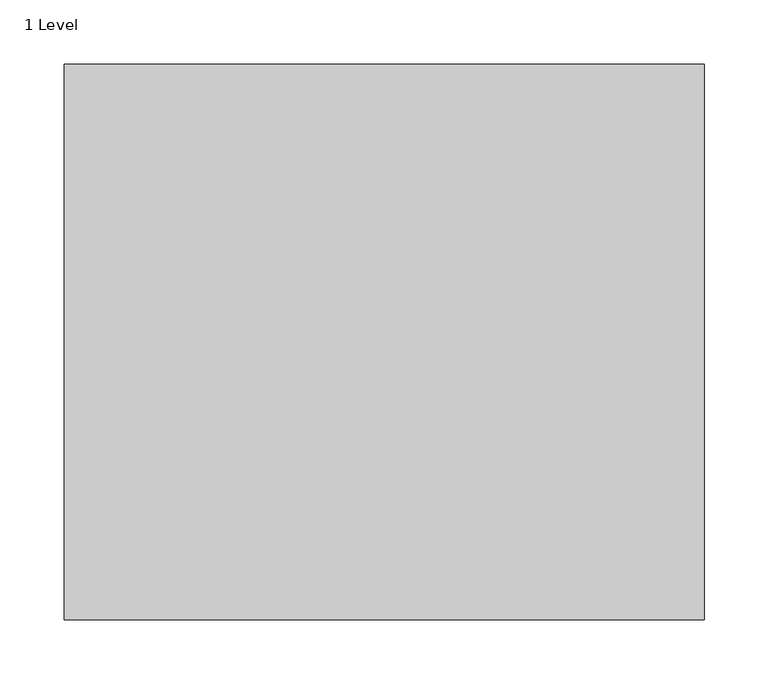
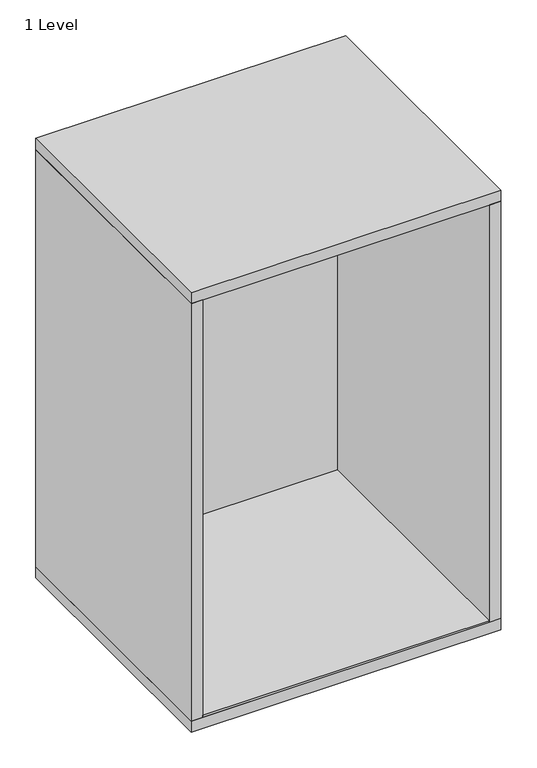
"""IFC4 building model written with IfcOpenShell, lengths in millimetres: furniture geometry, 1 Level."""

import ifcopenshell
import ifcopenshell.guid

model = None  # the IFC model being written
_history = None  # IfcOwnerHistory: only IFC2X3 demands one
_inside = {}  # id of a spatial element -> (the spatial element, [elements in it])
_under = {}  # id of a project, library or spatial element -> (it, [spatial elements below it])
_declared = {}  # id of a project -> (the project, [libraries it declares])
_typed = {}  # id of a type object -> (the type object, [elements of that type])
_made_of = {}  # id of a material, layer set ... -> (it, [elements and type objects made of it])


def new_model(schema):
    """Start an empty IFC model of exactly this schema.

    Asked for "IFC4X3", IfcOpenShell would pick the latest addendum, in which some entities
    have other attributes; the version numbers below select the first issue.
    IFC2X3 requires an IfcOwnerHistory on every rooted entity: one is made here for all.
    """
    global model, _history
    if schema == "IFC4X3":
        model = ifcopenshell.file(schema_version=(4, 3, 0, 0))
    else:
        model = ifcopenshell.file(schema=schema)
    _inside.clear()
    _under.clear()
    _declared.clear()
    _typed.clear()
    _made_of.clear()
    _history = None
    if model.schema == "IFC2X3":
        org = make("IfcOrganization", Name="unknown")
        user = make(
            "IfcPersonAndOrganization",
            ThePerson=make("IfcPerson", FamilyName="unknown"),
            TheOrganization=org,
        )
        app = make(
            "IfcApplication",
            ApplicationDeveloper=org,
            Version="unknown",
            ApplicationFullName="unknown",
            ApplicationIdentifier="unknown",
        )
        _history = make(
            "IfcOwnerHistory",
            OwningUser=user,
            OwningApplication=app,
            ChangeAction="ADDED",
            CreationDate=0,
        )
    return model


def make(cls, **values):
    """One entity of the class cls with the attributes given. An attribute that is None is left unset."""
    return model.create_entity(
        cls, **{name: value for name, value in values.items() if value is not None}
    )


def rooted(cls, **values):
    """An entity with a GlobalId (a new one), such as an element, a storey or a relation."""
    return make(cls, GlobalId=ifcopenshell.guid.new(), OwnerHistory=_history, **values)


def si_unit(unit_type, name, prefix=None):
    """IfcSIUnit, for example si_unit("LENGTHUNIT", "METRE", prefix="MILLI")."""
    return make("IfcSIUnit", UnitType=unit_type, Prefix=prefix, Name=name)


def assignment(units):
    """IfcUnitAssignment: the units of a project."""
    return None if units is None else make("IfcUnitAssignment", Units=units)


def point(xyz):
    """IfcCartesianPoint."""
    return None if xyz is None else make("IfcCartesianPoint", Coordinates=xyz)


def direction(xyz):
    """IfcDirection."""
    return None if xyz is None else make("IfcDirection", DirectionRatios=xyz)


def frame(location, z_axis=None, x_axis=None):
    """IfcAxis2Placement3D, a coordinate frame: its origin and axes. An axis left out is left unset."""
    return make(
        "IfcAxis2Placement3D",
        Location=point(location),
        Axis=direction(z_axis),
        RefDirection=direction(x_axis),
    )


def origin():
    """The frame at (0, 0, 0) with its axes left unset."""
    return frame((0.0, 0.0, 0.0))


def place(relative_to, where):
    """IfcLocalPlacement: puts the frame where relative to a parent placement (None: the world)."""
    return make(
        "IfcLocalPlacement", PlacementRelTo=relative_to, RelativePlacement=where
    )


def context(
    kind, dimensions, precision=None, world=None, true_north=None, identifier=None
):
    """IfcGeometricRepresentationContext, for example the 3D "Model" context."""
    return make(
        "IfcGeometricRepresentationContext",
        ContextIdentifier=identifier,
        ContextType=kind,
        CoordinateSpaceDimension=dimensions,
        Precision=precision,
        WorldCoordinateSystem=world,
        TrueNorth=true_north,
    )


def project(units=None, contexts=None):
    """IfcProject with its units and contexts."""
    return rooted(
        "IfcProject",
        Name="project",
        RepresentationContexts=contexts,
        UnitsInContext=assignment(units),
    )


def spatial(cls, under=None, at=None, **own):
    """A site, building, storey or space (cls), placed at a placement, below another one or the project."""
    s = rooted(cls, ObjectPlacement=at, **own)
    if under is not None:
        _under.setdefault(under.id(), (under, []))[1].append(s)
    return s


def polyline(points):
    """IfcPolyline through the points."""
    return make("IfcPolyline", Points=[point(p) for p in points])


def outline(outer, holes=None, kind="AREA"):
    """IfcArbitraryClosedProfileDef: a profile drawn as a closed curve; with holes, ...WithVoids."""
    if holes is None:
        return make("IfcArbitraryClosedProfileDef", ProfileType=kind, OuterCurve=outer)
    return make(
        "IfcArbitraryProfileDefWithVoids",
        ProfileType=kind,
        OuterCurve=outer,
        InnerCurves=holes,
    )


def extrude(swept, where, along, depth):
    """IfcExtrudedAreaSolid: the profile swept, set in the frame where, extruded along a direction by depth."""
    return make(
        "IfcExtrudedAreaSolid",
        SweptArea=swept,
        Position=where,
        ExtrudedDirection=direction(along),
        Depth=depth,
    )


def shape(context_of_items, identifier, shape_type, items):
    """IfcShapeRepresentation: the items that make up one representation, for example the "Body"."""
    return make(
        "IfcShapeRepresentation",
        ContextOfItems=context_of_items,
        RepresentationIdentifier=identifier,
        RepresentationType=shape_type,
        Items=items,
    )


def source(mapping_origin, context_of_items, identifier, shape_type, items):
    """IfcRepresentationMap: a shape defined once, which mapped items show again and again."""
    return make(
        "IfcRepresentationMap",
        MappingOrigin=mapping_origin,
        MappedRepresentation=shape(context_of_items, identifier, shape_type, items),
    )


def transform(
    local_origin,
    x_axis=None,
    y_axis=None,
    z_axis=None,
    scale=None,
    scale2=None,
    scale3=None,
    uniform=True,
):
    """IfcCartesianTransformationOperator3D, or its non-uniform kind. x_axis, y_axis, z_axis: its Axis1, 2, 3."""
    if uniform:
        return make(
            "IfcCartesianTransformationOperator3D",
            Axis1=direction(x_axis),
            Axis2=direction(y_axis),
            LocalOrigin=point(local_origin),
            Scale=scale,
            Axis3=direction(z_axis),
        )
    return make(
        "IfcCartesianTransformationOperator3DnonUniform",
        Axis1=direction(x_axis),
        Axis2=direction(y_axis),
        LocalOrigin=point(local_origin),
        Scale=scale,
        Axis3=direction(z_axis),
        Scale2=scale2,
        Scale3=scale3,
    )


def mapped(mapping_source, mapping_target):
    """IfcMappedItem: shows the shape of a source again, moved by a transform."""
    return make(
        "IfcMappedItem", MappingSource=mapping_source, MappingTarget=mapping_target
    )


def made_of(thing, what):
    """Note that an element or type object is made of a material, layer set ...; save() writes the relation."""
    if what is not None:
        _made_of.setdefault(what.id(), (what, []))[1].append(thing)
    return thing


def element(
    cls,
    number,
    at=None,
    inside=None,
    cuts=None,
    type_object=None,
    material=None,
    context=None,
    identifier="Body",
    shape_type=None,
    held_by="IfcProductDefinitionShape",
    body=None,
    shapes=None,
    **own,
):
    """One element of the class cls, such as IfcWall. Its Tag is "e" and its number.

    at: its placement. inside: the storey or other place that contains it. cuts: it is an
    opening in that element (IfcRelVoidsElement). A single representation is given by context,
    identifier, shape_type and body (its items); several are given by shapes. held_by: the class
    of the entity that holds the representations. save() writes the other relations.
    """
    e = rooted(cls, Tag="e%d" % number, ObjectPlacement=at, **own)
    if body is not None:
        shapes = [shape(context, identifier, shape_type, body)]
    if shapes is not None:
        e.Representation = make(held_by, Representations=shapes)
    if inside is not None:
        _inside.setdefault(inside.id(), (inside, []))[1].append(e)
    if cuts is not None:
        rooted(
            "IfcRelVoidsElement", RelatingBuildingElement=cuts, RelatedOpeningElement=e
        )
    if type_object is not None:
        _typed.setdefault(type_object.id(), (type_object, []))[1].append(e)
    return made_of(e, material)


def aggregate(whole, parts):
    """IfcRelAggregates: a whole, such as a stair, and the parts it consists of."""
    return rooted("IfcRelAggregates", RelatingObject=whole, RelatedObjects=parts)


def save(model, path):
    """Write the relations noted so far, then the file.

    IfcRelAggregates (storeys below a building ...), IfcRelContainedInSpatialStructure (elements
    in a storey), IfcRelDefinesByType, IfcRelAssociatesMaterial and IfcRelDeclares: one each for
    every whole, place, type object, material and project.
    """
    for whole, parts in _under.values():
        aggregate(whole, parts)
    for where, things in _inside.values():
        rooted(
            "IfcRelContainedInSpatialStructure",
            RelatedElements=things,
            RelatingStructure=where,
        )
    for kind, things in _typed.values():
        rooted("IfcRelDefinesByType", RelatedObjects=things, RelatingType=kind)
    for what, things in _made_of.values():
        rooted("IfcRelAssociatesMaterial", RelatedObjects=things, RelatingMaterial=what)
    for by, libraries in _declared.values():
        rooted("IfcRelDeclares", RelatingContext=by, RelatedDefinitions=libraries)
    model.write(path)


def furniture_1_level_e9337521(model_context):
    return source(origin(), model_context, "Body", "SweptSolid", [
        extrude(outline(polyline([(481.0, -10.0), (481.0, -434.0), (19.0, -434.0), (19.0, -10.0), (481.0, -10.0)])), frame((0.0, 0.0, 239.0), z_axis=(0.0, 0.0, 1.0), x_axis=(1.0, 0.0, 0.0)), (0.0, 0.0, 1.0), 3.0),
        extrude(outline(polyline([(481.0, 0.0), (481.0, -10.0), (19.0, -10.0), (19.0, 0.0), (481.0, 0.0)])), frame((0.0, 0.0, 239.0), z_axis=(0.0, 0.0, 1.0), x_axis=(1.0, 0.0, 0.0)), (0.0, 0.0, 1.0), 712.0),
        extrude(outline(polyline([(19.0, 0.0), (19.0, -434.0), (0.0, -434.0), (0.0, 0.0), (19.0, 0.0)])), frame((0.0, 0.0, 239.0), z_axis=(0.0, 0.0, 1.0), x_axis=(1.0, 0.0, 0.0)), (0.0, 0.0, 1.0), 712.0),
        extrude(outline(polyline([(481.0, 0.0), (500.0, 0.0), (500.0, -434.0), (481.0, -434.0), (481.0, 0.0)])), frame((0.0, 0.0, 239.0), z_axis=(0.0, 0.0, 1.0), x_axis=(1.0, 0.0, 0.0)), (0.0, 0.0, 1.0), 712.0),
        extrude(outline(polyline([(500.0, 0.0), (500.0, -434.0), (0.0, -434.0), (0.0, 0.0), (500.0, 0.0)])), frame((0.0, 0.0, 951.0), z_axis=(0.0, 0.0, 1.0), x_axis=(1.0, 0.0, 0.0)), (0.0, 0.0, 1.0), 19.0),
        extrude(outline(polyline([(500.0, 0.0), (500.0, -434.0), (0.0, -434.0), (0.0, 0.0), (500.0, 0.0)])), frame((0.0, 0.0, 220.0), z_axis=(0.0, 0.0, 1.0), x_axis=(1.0, 0.0, 0.0)), (0.0, 0.0, 1.0), 19.0),
    ])


if __name__ == "__main__":
    model = new_model("IFC4")
    model_context = context("Model", 3, world=origin())
    ifc_project = project(units=[si_unit("LENGTHUNIT", "METRE", prefix="MILLI")], contexts=[model_context])
    site = spatial("IfcSite", under=ifc_project)
    building = spatial("IfcBuilding", under=site)
    placement = place(None, origin())
    furniture_1_level_shape = furniture_1_level_e9337521(model_context)
    element("IfcFurniture", 1, ObjectType="1 Level", at=placement, inside=building, context=model_context, shape_type="MappedRepresentation", body=[
        mapped(furniture_1_level_shape, transform((0.0, 0.0, 0.0), x_axis=(1.0, 0.0, 0.0), y_axis=(0.0, 1.0, 0.0), z_axis=(0.0, 0.0, 1.0))),
    ])
    save(model, "model.ifc")
